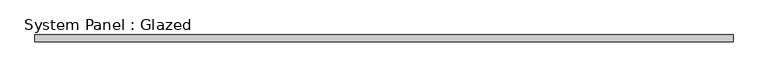
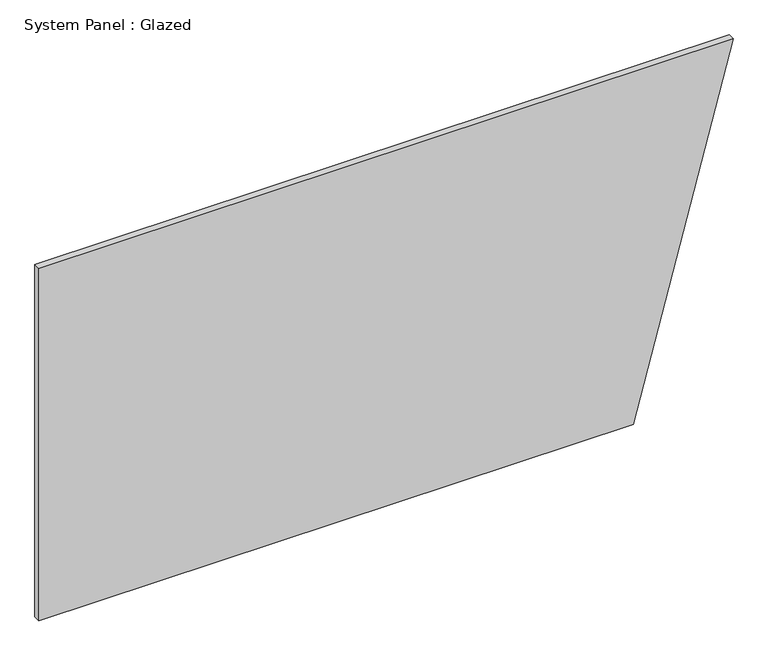
"""IFC4 building model written with IfcOpenShell, lengths in millimetres: plate geometry, System Panel : Glazed."""

import ifcopenshell
import ifcopenshell.guid

model = None  # the IFC model being written
_history = None  # IfcOwnerHistory: only IFC2X3 demands one
_inside = {}  # id of a spatial element -> (the spatial element, [elements in it])
_under = {}  # id of a project, library or spatial element -> (it, [spatial elements below it])
_declared = {}  # id of a project -> (the project, [libraries it declares])
_typed = {}  # id of a type object -> (the type object, [elements of that type])
_made_of = {}  # id of a material, layer set ... -> (it, [elements and type objects made of it])


def new_model(schema):
    """Start an empty IFC model of exactly this schema.

    Asked for "IFC4X3", IfcOpenShell would pick the latest addendum, in which some entities
    have other attributes; the version numbers below select the first issue.
    IFC2X3 requires an IfcOwnerHistory on every rooted entity: one is made here for all.
    """
    global model, _history
    if schema == "IFC4X3":
        model = ifcopenshell.file(schema_version=(4, 3, 0, 0))
    else:
        model = ifcopenshell.file(schema=schema)
    _inside.clear()
    _under.clear()
    _declared.clear()
    _typed.clear()
    _made_of.clear()
    _history = None
    if model.schema == "IFC2X3":
        org = make("IfcOrganization", Name="unknown")
        user = make(
            "IfcPersonAndOrganization",
            ThePerson=make("IfcPerson", FamilyName="unknown"),
            TheOrganization=org,
        )
        app = make(
            "IfcApplication",
            ApplicationDeveloper=org,
            Version="unknown",
            ApplicationFullName="unknown",
            ApplicationIdentifier="unknown",
        )
        _history = make(
            "IfcOwnerHistory",
            OwningUser=user,
            OwningApplication=app,
            ChangeAction="ADDED",
            CreationDate=0,
        )
    return model


def make(cls, **values):
    """One entity of the class cls with the attributes given. An attribute that is None is left unset."""
    return model.create_entity(
        cls, **{name: value for name, value in values.items() if value is not None}
    )


def rooted(cls, **values):
    """An entity with a GlobalId (a new one), such as an element, a storey or a relation."""
    return make(cls, GlobalId=ifcopenshell.guid.new(), OwnerHistory=_history, **values)


def si_unit(unit_type, name, prefix=None):
    """IfcSIUnit, for example si_unit("LENGTHUNIT", "METRE", prefix="MILLI")."""
    return make("IfcSIUnit", UnitType=unit_type, Prefix=prefix, Name=name)


def assignment(units):
    """IfcUnitAssignment: the units of a project."""
    return None if units is None else make("IfcUnitAssignment", Units=units)


def point(xyz):
    """IfcCartesianPoint."""
    return None if xyz is None else make("IfcCartesianPoint", Coordinates=xyz)


def direction(xyz):
    """IfcDirection."""
    return None if xyz is None else make("IfcDirection", DirectionRatios=xyz)


def frame(location, z_axis=None, x_axis=None):
    """IfcAxis2Placement3D, a coordinate frame: its origin and axes. An axis left out is left unset."""
    return make(
        "IfcAxis2Placement3D",
        Location=point(location),
        Axis=direction(z_axis),
        RefDirection=direction(x_axis),
    )


def origin():
    """The frame at (0, 0, 0) with its axes left unset."""
    return frame((0.0, 0.0, 0.0))


def place(relative_to, where):
    """IfcLocalPlacement: puts the frame where relative to a parent placement (None: the world)."""
    return make(
        "IfcLocalPlacement", PlacementRelTo=relative_to, RelativePlacement=where
    )


def context(
    kind, dimensions, precision=None, world=None, true_north=None, identifier=None
):
    """IfcGeometricRepresentationContext, for example the 3D "Model" context."""
    return make(
        "IfcGeometricRepresentationContext",
        ContextIdentifier=identifier,
        ContextType=kind,
        CoordinateSpaceDimension=dimensions,
        Precision=precision,
        WorldCoordinateSystem=world,
        TrueNorth=true_north,
    )


def project(units=None, contexts=None):
    """IfcProject with its units and contexts."""
    return rooted(
        "IfcProject",
        Name="project",
        RepresentationContexts=contexts,
        UnitsInContext=assignment(units),
    )


def spatial(cls, under=None, at=None, **own):
    """A site, building, storey or space (cls), placed at a placement, below another one or the project."""
    s = rooted(cls, ObjectPlacement=at, **own)
    if under is not None:
        _under.setdefault(under.id(), (under, []))[1].append(s)
    return s


def polyline(points):
    """IfcPolyline through the points."""
    return make("IfcPolyline", Points=[point(p) for p in points])


def outline(outer, holes=None, kind="AREA"):
    """IfcArbitraryClosedProfileDef: a profile drawn as a closed curve; with holes, ...WithVoids."""
    if holes is None:
        return make("IfcArbitraryClosedProfileDef", ProfileType=kind, OuterCurve=outer)
    return make(
        "IfcArbitraryProfileDefWithVoids",
        ProfileType=kind,
        OuterCurve=outer,
        InnerCurves=holes,
    )


def extrude(swept, where, along, depth):
    """IfcExtrudedAreaSolid: the profile swept, set in the frame where, extruded along a direction by depth."""
    return make(
        "IfcExtrudedAreaSolid",
        SweptArea=swept,
        Position=where,
        ExtrudedDirection=direction(along),
        Depth=depth,
    )


def shape(context_of_items, identifier, shape_type, items):
    """IfcShapeRepresentation: the items that make up one representation, for example the "Body"."""
    return make(
        "IfcShapeRepresentation",
        ContextOfItems=context_of_items,
        RepresentationIdentifier=identifier,
        RepresentationType=shape_type,
        Items=items,
    )


def source(mapping_origin, context_of_items, identifier, shape_type, items):
    """IfcRepresentationMap: a shape defined once, which mapped items show again and again."""
    return make(
        "IfcRepresentationMap",
        MappingOrigin=mapping_origin,
        MappedRepresentation=shape(context_of_items, identifier, shape_type, items),
    )


def transform(
    local_origin,
    x_axis=None,
    y_axis=None,
    z_axis=None,
    scale=None,
    scale2=None,
    scale3=None,
    uniform=True,
):
    """IfcCartesianTransformationOperator3D, or its non-uniform kind. x_axis, y_axis, z_axis: its Axis1, 2, 3."""
    if uniform:
        return make(
            "IfcCartesianTransformationOperator3D",
            Axis1=direction(x_axis),
            Axis2=direction(y_axis),
            LocalOrigin=point(local_origin),
            Scale=scale,
            Axis3=direction(z_axis),
        )
    return make(
        "IfcCartesianTransformationOperator3DnonUniform",
        Axis1=direction(x_axis),
        Axis2=direction(y_axis),
        LocalOrigin=point(local_origin),
        Scale=scale,
        Axis3=direction(z_axis),
        Scale2=scale2,
        Scale3=scale3,
    )


def mapped(mapping_source, mapping_target):
    """IfcMappedItem: shows the shape of a source again, moved by a transform."""
    return make(
        "IfcMappedItem", MappingSource=mapping_source, MappingTarget=mapping_target
    )


def made_of(thing, what):
    """Note that an element or type object is made of a material, layer set ...; save() writes the relation."""
    if what is not None:
        _made_of.setdefault(what.id(), (what, []))[1].append(thing)
    return thing


def element(
    cls,
    number,
    at=None,
    inside=None,
    cuts=None,
    type_object=None,
    material=None,
    context=None,
    identifier="Body",
    shape_type=None,
    held_by="IfcProductDefinitionShape",
    body=None,
    shapes=None,
    **own,
):
    """One element of the class cls, such as IfcWall. Its Tag is "e" and its number.

    at: its placement. inside: the storey or other place that contains it. cuts: it is an
    opening in that element (IfcRelVoidsElement). A single representation is given by context,
    identifier, shape_type and body (its items); several are given by shapes. held_by: the class
    of the entity that holds the representations. save() writes the other relations.
    """
    e = rooted(cls, Tag="e%d" % number, ObjectPlacement=at, **own)
    if body is not None:
        shapes = [shape(context, identifier, shape_type, body)]
    if shapes is not None:
        e.Representation = make(held_by, Representations=shapes)
    if inside is not None:
        _inside.setdefault(inside.id(), (inside, []))[1].append(e)
    if cuts is not None:
        rooted(
            "IfcRelVoidsElement", RelatingBuildingElement=cuts, RelatedOpeningElement=e
        )
    if type_object is not None:
        _typed.setdefault(type_object.id(), (type_object, []))[1].append(e)
    return made_of(e, material)


def aggregate(whole, parts):
    """IfcRelAggregates: a whole, such as a stair, and the parts it consists of."""
    return rooted("IfcRelAggregates", RelatingObject=whole, RelatedObjects=parts)


def save(model, path):
    """Write the relations noted so far, then the file.

    IfcRelAggregates (storeys below a building ...), IfcRelContainedInSpatialStructure (elements
    in a storey), IfcRelDefinesByType, IfcRelAssociatesMaterial and IfcRelDeclares: one each for
    every whole, place, type object, material and project.
    """
    for whole, parts in _under.values():
        aggregate(whole, parts)
    for where, things in _inside.values():
        rooted(
            "IfcRelContainedInSpatialStructure",
            RelatedElements=things,
            RelatingStructure=where,
        )
    for kind, things in _typed.values():
        rooted("IfcRelDefinesByType", RelatedObjects=things, RelatingType=kind)
    for what, things in _made_of.values():
        rooted("IfcRelAssociatesMaterial", RelatedObjects=things, RelatingMaterial=what)
    for by, libraries in _declared.values():
        rooted("IfcRelDeclares", RelatingContext=by, RelatedDefinitions=libraries)
    model.write(path)


def system_panel_glazed_ea886d39(model_context):
    return source(origin(), model_context, "Body", "SweptSolid", [
        extrude(outline(polyline([(0.0, -1257.0715693), (0.0, 895.3401595), (1350.0, 1257.0715693), (1350.0, -1257.0715693), (0.0, -1257.0715693)])), frame((0.0, -2.5, 0.0), z_axis=(0.0, 1.0, 0.0), x_axis=(0.0, 0.0, 1.0)), (0.0, 0.0, 1.0), 25.0),
    ])


if __name__ == "__main__":
    model = new_model("IFC4")
    model_context = context("Model", 3, world=origin())
    ifc_project = project(units=[si_unit("LENGTHUNIT", "METRE", prefix="MILLI")], contexts=[model_context])
    site = spatial("IfcSite", under=ifc_project)
    building = spatial("IfcBuilding", under=site)
    placement = place(None, origin())
    system_panel_glazed_shape = system_panel_glazed_ea886d39(model_context)
    element("IfcPlate", 1, ObjectType="System Panel : Glazed", at=placement, inside=building, context=model_context, shape_type="MappedRepresentation", body=[
        mapped(system_panel_glazed_shape, transform((0.0, 0.0, 0.0), x_axis=(1.0, 0.0, 0.0), y_axis=(0.0, 1.0, 0.0), z_axis=(0.0, 0.0, 1.0))),
    ])
    save(model, "model.ifc")
